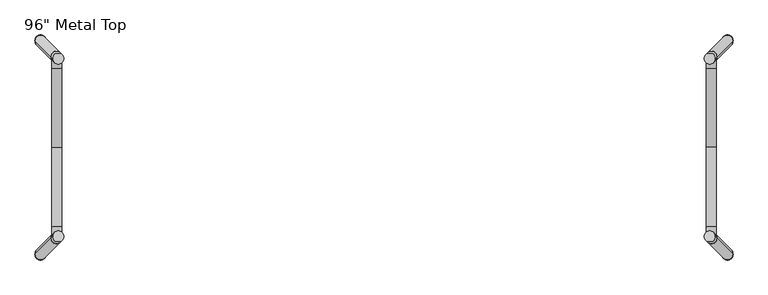
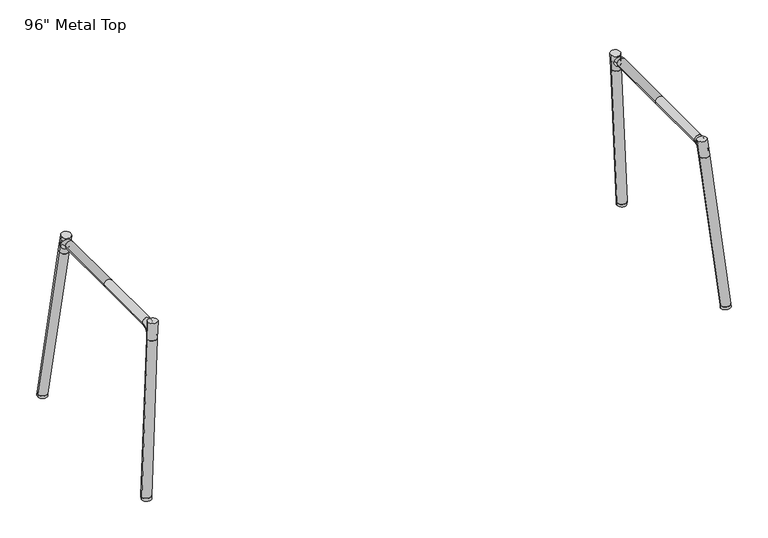
"""IFC4 building model written with IfcOpenShell, lengths in millimetres: furniture geometry."""

from ifc_helpers import new_model, si_unit, point, frame, origin, place, context, project, spatial, circle_curve, ellipse_curve, trimmed, source, transform, mapped, element, save
from ifc_brep_helpers import plane_surface, cylinder_surface, revolved_surface, extruded_surface, advanced_brep


def furniture_b8a5fde7(model_context):
    return source(origin(), model_context, "Body", "AdvancedBrep", [
        advanced_brep(
        [(-1094.0276589, -108.6275545, 642.6160825), (-1128.084522, -108.6275545, 642.6160825), (-1094.0276589, -146.1513452, 676.5760945), (-1128.084522, -146.1513452, 676.5760945), (-1094.0276589, -415.7354008, 676.5760945), (-1128.084522, -415.7354008, 676.5760945), (-1094.0276589, -722.8432471, 642.6160825), (-1128.084522, -722.8432471, 642.6160825), (-1128.084522, -685.3194564, 676.5760945), (-1094.0276589, -685.3194564, 676.5760945)],
        [
            (0, 1, circle_curve(frame((-1111.0560905, -108.6275545, 642.6160825), z_axis=(0.0, 0.09962738029575449, -0.9950248163213846), x_axis=(-1.0, 0.0, 0.0)), 17.0284315)),
            (1, 0, circle_curve(frame((-1111.0560905, -108.6275545, 642.6160825), z_axis=(0.0, 0.09962738029575449, -0.9950248163213846), x_axis=(-1.0, 0.0, 0.0)), 17.0284315)),
            (0, 2, circle_curve(frame((-1094.0276589, -146.1576331, 638.8583638), z_axis=(1.0, 0.0, 0.0), x_axis=(0.0, 0.9950248163208736, 0.09962738030085823)), 37.7177313)),
            (2, 3, circle_curve(frame((-1111.0560905, -146.1513452, 676.5760945), z_axis=(0.0, 0.9999999861040603, -0.0001667089654986964), x_axis=(-1.0, 0.0, 0.0)), 17.0284315)),
            (3, 1, circle_curve(frame((-1128.084522, -146.1576331, 638.8583638), z_axis=(-1.0, 0.0, 0.0), x_axis=(0.0, 0.9950248163208736, 0.09962738030085823)), 37.7177313)),
            (3, 2, circle_curve(frame((-1111.0560905, -146.1513452, 676.5760945), z_axis=(0.0, 0.9999999861040604, -0.00016670896549936254), x_axis=(-1.0, 0.0, 0.0)), 17.0284315)),
            (2, 4),
            (4, 5, circle_curve(frame((-1111.0560905, -415.7354008, 676.5760945), z_axis=(0.0, 1.0, -5.1322696092981346e-12), x_axis=(-1.0, 0.0, 0.0)), 17.0284315)),
            (5, 3),
            (5, 4, circle_curve(frame((-1111.0560905, -415.7354008, 676.5760945), z_axis=(0.0, 1.0, -5.1322696092981346e-12), x_axis=(-1.0, 0.0, 0.0)), 17.0284315)),
            (6, 7, circle_curve(frame((-1111.0560905, -722.8432471, 642.6160825), z_axis=(0.0, -0.09962738029575402, -0.9950248163213846), x_axis=(-1.0, 0.0, 0.0)), 17.0284315)),
            (7, 6, circle_curve(frame((-1111.0560905, -722.8432471, 642.6160825), z_axis=(0.0, -0.09962738029575402, -0.9950248163213846), x_axis=(-1.0, 0.0, 0.0)), 17.0284315)),
            (7, 8, circle_curve(frame((-1128.084522, -685.3131685, 638.8583638), z_axis=(-1.0, 0.0, 0.0), x_axis=(0.0, -0.9950248163208736, 0.09962738030085823)), 37.7177313)),
            (8, 9, circle_curve(frame((-1111.0560905, -685.3194564, 676.5760945), z_axis=(0.0, -0.9999999861040603, -0.00016670896549385306), x_axis=(-1.0, 0.0, 0.0)), 17.0284315)),
            (9, 6, circle_curve(frame((-1094.0276589, -685.3131685, 638.8583638), z_axis=(1.0, 0.0, 0.0), x_axis=(0.0, -0.9950248163208736, 0.09962738030085823)), 37.7177313)),
            (9, 8, circle_curve(frame((-1111.0560905, -685.3194564, 676.5760945), z_axis=(0.0, -0.9999999861040603, -0.00016670896549474123), x_axis=(-1.0, 0.0, 0.0)), 17.0284315)),
            (8, 5),
            (4, 9),
        ],
        [
            plane_surface(frame((-1106.0920524, -108.6275545, 642.6160825), z_axis=(0.0, 0.09962738030085824, -0.9950248163208736), x_axis=(1.0, 0.0, 0.0))),
            revolved_surface(trimmed(ellipse_curve(frame((-1111.0560905, -108.6275545, 642.6160825), z_axis=(0.0, 0.09962738029575449, -0.9950248163213846), x_axis=(-1.0, 0.0, 0.0)), 17.0284315, 17.0284315), [point((-1094.0276589, -108.6275545, 642.6160825))], [point((-1128.084522, -108.6275545, 642.6160825))], True, "CARTESIAN"), (-1106.0920524, -146.1576331, 638.8583638), (1.0, 0.0, 0.0)),
            revolved_surface(trimmed(ellipse_curve(frame((-1111.0560905, -108.6275545, 642.6160825), z_axis=(0.0, 0.09962738029575449, -0.9950248163213846), x_axis=(-1.0, 0.0, 0.0)), 17.0284315, 17.0284315), [point((-1128.084522, -108.6275545, 642.6160825))], [point((-1094.0276589, -108.6275545, 642.6160825))], True, "CARTESIAN"), (-1106.0920524, -146.1576331, 638.8583638), (1.0, 0.0, 0.0)),
            cylinder_surface(frame((-1111.0560905, -146.1513452, 676.5760945), z_axis=(0.0, 1.0, -5.1322696092981346e-12), x_axis=(-1.0, 0.0, 0.0)), 17.0284315),
            plane_surface(frame((-1106.0920524, -722.8432471, 642.6160825), z_axis=(0.0, -0.09962738030085834, -0.9950248163208736), x_axis=(1.0, 0.0, 0.0))),
            revolved_surface(trimmed(ellipse_curve(frame((-1111.0560905, -722.8432471, 642.6160825), z_axis=(0.0, -0.09962738029575402, -0.9950248163213846), x_axis=(-1.0, 0.0, 0.0)), 17.0284315, 17.0284315), [point((-1128.084522, -722.8432471, 642.6160825))], [point((-1094.0276589, -722.8432471, 642.6160825))], True, "CARTESIAN"), (-1106.0920524, -685.3131685, 638.8583638), (-1.0, 0.0, 0.0)),
            revolved_surface(trimmed(ellipse_curve(frame((-1111.0560905, -722.8432471, 642.6160825), z_axis=(0.0, -0.09962738029575402, -0.9950248163213846), x_axis=(-1.0, 0.0, 0.0)), 17.0284315, 17.0284315), [point((-1094.0276589, -722.8432471, 642.6160825))], [point((-1128.084522, -722.8432471, 642.6160825))], True, "CARTESIAN"), (-1106.0920524, -685.3131685, 638.8583638), (-1.0, 0.0, 0.0)),
            cylinder_surface(frame((-1111.0560905, -685.3194564, 676.5760945), z_axis=(0.0, -1.0, -5.132977376476332e-12), x_axis=(-1.0, 0.0, 0.0)), 17.0284315),
        ],
        [
            (0, [[1, 2]]),
            (1, [[-1, 3, 4, 5]]),
            (2, [[-2, -5, 6, -3]]),
            (3, [[-4, 7, 8, 9]]),
            (3, [[-6, -9, 10, -7]]),
            (4, [[11, 12]]),
            (5, [[-12, 13, 14, 15]]),
            (6, [[-11, -15, 16, -13]]),
            (7, [[-14, 17, -8, 18]]),
            (7, [[-16, -18, -10, -17]]),
        ],
    ),
        advanced_brep(
        [(1095.500954, -722.8432471, 642.6160825), (1129.5578171, -722.8432471, 642.6160825), (1095.500954, -685.3194564, 676.5760945), (1129.5578171, -685.3194564, 676.5760945), (1095.500954, -415.7354008, 676.5760945), (1129.5578171, -415.7354008, 676.5760945), (1095.500954, -108.6275545, 642.6160825), (1129.5578171, -108.6275545, 642.6160825), (1129.5578171, -146.1513452, 676.5760945), (1095.500954, -146.1513452, 676.5760945)],
        [
            (0, 1, circle_curve(frame((1112.5293855, -722.8432471, 642.6160825), z_axis=(0.0, -0.09962738029575402, -0.9950248163213846), x_axis=(1.0, 0.0, 0.0)), 17.0284315)),
            (1, 0, circle_curve(frame((1112.5293855, -722.8432471, 642.6160825), z_axis=(0.0, -0.09962738029575402, -0.9950248163213846), x_axis=(1.0, 0.0, 0.0)), 17.0284315)),
            (0, 2, circle_curve(frame((1095.500954, -685.3131685, 638.8583638), z_axis=(-1.0, 0.0, 0.0), x_axis=(0.0, -0.9950248163208736, 0.09962738030085823)), 37.7177313)),
            (2, 3, circle_curve(frame((1112.5293855, -685.3194564, 676.5760945), z_axis=(0.0, -0.9999999861040603, -0.00016670896549850212), x_axis=(1.0, 0.0, 0.0)), 17.0284315)),
            (3, 1, circle_curve(frame((1129.5578171, -685.3131685, 638.8583638), z_axis=(1.0, 0.0, 0.0), x_axis=(0.0, -0.9950248163208736, 0.09962738030085823)), 37.7177313)),
            (3, 2, circle_curve(frame((1112.5293855, -685.3194564, 676.5760945), z_axis=(0.0, -0.9999999861040603, -0.00016670896549805803), x_axis=(1.0, 0.0, 0.0)), 17.0284315)),
            (2, 4),
            (4, 5, circle_curve(frame((1112.5293855, -415.7354008, 676.5760945), z_axis=(0.0, -1.0, -5.132977376476332e-12), x_axis=(1.0, 0.0, 0.0)), 17.0284315)),
            (5, 3),
            (5, 4, circle_curve(frame((1112.5293855, -415.7354008, 676.5760945), z_axis=(0.0, -1.0, -5.132977376476332e-12), x_axis=(1.0, 0.0, 0.0)), 17.0284315)),
            (6, 7, circle_curve(frame((1112.5293855, -108.6275545, 642.6160825), z_axis=(0.0, 0.09962738029575449, -0.9950248163213846), x_axis=(1.0, 0.0, 0.0)), 17.0284315)),
            (7, 6, circle_curve(frame((1112.5293855, -108.6275545, 642.6160825), z_axis=(0.0, 0.09962738029575449, -0.9950248163213846), x_axis=(1.0, 0.0, 0.0)), 17.0284315)),
            (7, 8, circle_curve(frame((1129.5578171, -146.1576331, 638.8583638), z_axis=(1.0, 0.0, 0.0), x_axis=(0.0, 0.9950248163208736, 0.09962738030085823)), 37.7177313)),
            (8, 9, circle_curve(frame((1112.5293855, -146.1513452, 676.5760945), z_axis=(0.0, 0.9999999861040603, -0.00016670896549959846), x_axis=(1.0, 0.0, 0.0)), 17.0284315)),
            (9, 6, circle_curve(frame((1095.500954, -146.1576331, 638.8583638), z_axis=(-1.0, 0.0, 0.0), x_axis=(0.0, 0.9950248163208736, 0.09962738030085823)), 37.7177313)),
            (9, 8, circle_curve(frame((1112.5293855, -146.1513452, 676.5760945), z_axis=(0.0, 0.9999999861040603, -0.0001667089654998205), x_axis=(1.0, 0.0, 0.0)), 17.0284315)),
            (8, 5),
            (4, 9),
        ],
        [
            plane_surface(frame((1107.5653475, -722.8432471, 642.6160825), z_axis=(0.0, -0.09962738030085834, -0.9950248163208736), x_axis=(-1.0, 0.0, 0.0))),
            revolved_surface(trimmed(ellipse_curve(frame((1112.5293855, -722.8432471, 642.6160825), z_axis=(0.0, -0.09962738029575402, -0.9950248163213846), x_axis=(1.0, 0.0, 0.0)), 17.0284315, 17.0284315), [point((1095.500954, -722.8432471, 642.6160825))], [point((1129.5578171, -722.8432471, 642.6160825))], True, "CARTESIAN"), (1107.5653475, -685.3131685, 638.8583638), (-1.0, 0.0, 0.0)),
            revolved_surface(trimmed(ellipse_curve(frame((1112.5293855, -722.8432471, 642.6160825), z_axis=(0.0, -0.09962738029575402, -0.9950248163213846), x_axis=(1.0, 0.0, 0.0)), 17.0284315, 17.0284315), [point((1129.5578171, -722.8432471, 642.6160825))], [point((1095.500954, -722.8432471, 642.6160825))], True, "CARTESIAN"), (1107.5653475, -685.3131685, 638.8583638), (-1.0, 0.0, 0.0)),
            cylinder_surface(frame((1112.5293855, -685.3194564, 676.5760945), z_axis=(0.0, -1.0, -5.132977376476332e-12), x_axis=(1.0, 0.0, 0.0)), 17.0284315),
            plane_surface(frame((1107.5653475, -108.6275545, 642.6160825), z_axis=(0.0, 0.09962738030085824, -0.9950248163208736), x_axis=(-1.0, 0.0, 0.0))),
            revolved_surface(trimmed(ellipse_curve(frame((1112.5293855, -108.6275545, 642.6160825), z_axis=(0.0, 0.09962738029575449, -0.9950248163213846), x_axis=(1.0, 0.0, 0.0)), 17.0284315, 17.0284315), [point((1129.5578171, -108.6275545, 642.6160825))], [point((1095.500954, -108.6275545, 642.6160825))], True, "CARTESIAN"), (1107.5653475, -146.1576331, 638.8583638), (1.0, 0.0, 0.0)),
            revolved_surface(trimmed(ellipse_curve(frame((1112.5293855, -108.6275545, 642.6160825), z_axis=(0.0, 0.09962738029575449, -0.9950248163213846), x_axis=(1.0, 0.0, 0.0)), 17.0284315, 17.0284315), [point((1095.500954, -108.6275545, 642.6160825))], [point((1129.5578171, -108.6275545, 642.6160825))], True, "CARTESIAN"), (1107.5653475, -146.1576331, 638.8583638), (1.0, 0.0, 0.0)),
            cylinder_surface(frame((1112.5293855, -146.1513452, 676.5760945), z_axis=(0.0, 1.0, -5.1322696092981346e-12), x_axis=(1.0, 0.0, 0.0)), 17.0284315),
        ],
        [
            (0, [[1, 2]]),
            (1, [[-1, 3, 4, 5]]),
            (2, [[-2, -5, 6, -3]]),
            (3, [[-4, 7, 8, 9]]),
            (3, [[-6, -9, 10, -7]]),
            (4, [[11, 12]]),
            (5, [[-12, 13, 14, 15]]),
            (6, [[-11, -15, 16, -13]]),
            (7, [[-14, 17, -8, 18]]),
            (7, [[-16, -18, -10, -17]]),
        ],
    ),
        advanced_brep(
        [(1148.7101228, -53.3023764, 9.3894767), (1186.8101228, -53.3023764, 9.3894767), (1148.7039217, -52.3323275, -1.656041), (1186.8039217, -52.3323275, -1.656041)],
        [
            (0, 1, circle_curve(frame((1167.7601228, -53.3023764, 9.3894767), z_axis=(0.0, -0.08748612022239036, 0.9961657386039903), x_axis=(-1.0, 0.0, 0.0)), 19.05)),
            (1, 0, circle_curve(frame((1167.7601228, -53.3023764, 9.3894767), z_axis=(0.0, -0.08748612022239036, 0.9961657386039903), x_axis=(-1.0, 0.0, 0.0)), 19.05)),
            (2, 3, circle_curve(frame((1167.7539217, -52.3323275, -1.656041), z_axis=(0.0, 0.08748612022239036, -0.9961657386039903), x_axis=(1.0, 0.0, 0.0)), 19.05)),
            (3, 2, circle_curve(frame((1167.7539217, -52.3323275, -1.656041), z_axis=(0.0, 0.08748612022239036, -0.9961657386039903), x_axis=(1.0, 0.0, 0.0)), 19.05)),
            (2, 0),
            (1, 3),
        ],
        [
            plane_surface(frame((1167.7601228, -53.3023764, 9.3894767), z_axis=(0.0, -0.08748612022239036, 0.9961657386039903), x_axis=(0.0, 0.9961657386039903, 0.08748612022239036))),
            plane_surface(frame((1167.7539217, -52.3323275, -1.656041), z_axis=(0.0, 0.08748612022239036, -0.9961657386039903), x_axis=(0.0, -0.9961657386039903, -0.08748612022239036))),
            extruded_surface(trimmed(circle_curve(frame((1167.7539217, -52.3323275, -1.656041), z_axis=(0.0, -0.08748612022239036, 0.9961657386039903), x_axis=(1.0, 0.0, 0.0)), 19.05), [point((1186.8039217, -52.3323275, -1.656041))], [point((1148.7039217, -52.3323275, -1.656041))], True, "CARTESIAN"), (0.006201099999998405, -0.9700489000000019, 11.0455177), 11.088033846586406),
            extruded_surface(trimmed(circle_curve(frame((1167.7539217, -52.3323275, -1.656041), z_axis=(0.0, -0.08748612022239036, 0.9961657386039903), x_axis=(1.0, 0.0, 0.0)), 19.05), [point((1148.7039217, -52.3323275, -1.656041))], [point((1186.8039217, -52.3323275, -1.656041))], True, "CARTESIAN"), (0.006201099999998405, -0.9700489000000019, 11.0455177), 11.088033846586406),
        ],
        [
            (0, [[1, 2]]),
            (1, [[3, 4]]),
            (2, [[-3, 5, -2, 6]]),
            (3, [[-4, -6, -1, -5]]),
        ],
    ),
        advanced_brep(
        [(-1147.2368278, -53.3023764, 9.3894767), (-1185.3368278, -53.3023764, 9.3894767), (-1147.2306266, -52.3323275, -1.656041), (-1185.3306266, -52.3323275, -1.656041)],
        [
            (0, 1, circle_curve(frame((-1166.2868278, -53.3023764, 9.3894767), z_axis=(0.0, -0.08748612022239036, 0.9961657386039903), x_axis=(1.0, 0.0, 0.0)), 19.05)),
            (1, 0, circle_curve(frame((-1166.2868278, -53.3023764, 9.3894767), z_axis=(0.0, -0.08748612022239036, 0.9961657386039903), x_axis=(1.0, 0.0, 0.0)), 19.05)),
            (2, 3, circle_curve(frame((-1166.2806266, -52.3323275, -1.656041), z_axis=(0.0, 0.08748612022239036, -0.9961657386039903), x_axis=(-1.0, 0.0, 0.0)), 19.05)),
            (3, 2, circle_curve(frame((-1166.2806266, -52.3323275, -1.656041), z_axis=(0.0, 0.08748612022239036, -0.9961657386039903), x_axis=(-1.0, 0.0, 0.0)), 19.05)),
            (3, 1),
            (0, 2),
        ],
        [
            plane_surface(frame((-1166.2868278, -53.3023764, 9.3894767), z_axis=(0.0, -0.08748612022239036, 0.9961657386039903), x_axis=(0.0, -0.9961657386039903, -0.08748612022239036))),
            plane_surface(frame((-1166.2806266, -52.3323275, -1.656041), z_axis=(0.0, 0.08748612022239036, -0.9961657386039903), x_axis=(0.0, 0.9961657386039903, 0.08748612022239036))),
            extruded_surface(trimmed(circle_curve(frame((-1166.2806266, -52.3323275, -1.656041), z_axis=(0.0, -0.08748612022239036, 0.9961657386039903), x_axis=(-1.0, 0.0, 0.0)), 19.05), [point((-1147.2306266, -52.3323275, -1.656041))], [point((-1185.3306266, -52.3323275, -1.656041))], True, "CARTESIAN"), (-0.006201200000077733, -0.9700489000000019, 11.0455177), 11.08803384664233),
            extruded_surface(trimmed(circle_curve(frame((-1166.2806266, -52.3323275, -1.656041), z_axis=(0.0, -0.08748612022239036, 0.9961657386039903), x_axis=(-1.0, 0.0, 0.0)), 19.05), [point((-1185.3306266, -52.3323275, -1.656041))], [point((-1147.2306266, -52.3323275, -1.656041))], True, "CARTESIAN"), (-0.006201200000077733, -0.9700489000000019, 11.0455177), 11.08803384664233),
        ],
        [
            (0, [[1, 2]]),
            (1, [[3, 4]]),
            (2, [[-4, 5, -1, 6]]),
            (3, [[-3, -6, -2, -5]]),
        ],
    ),
        advanced_brep(
        [(1148.7101228, -778.5476236, 9.3894767), (1186.8101228, -778.5476236, 9.3894767), (1148.7039217, -779.5176725, -1.656041), (1186.8039217, -779.5176725, -1.656041)],
        [
            (0, 1, circle_curve(frame((1167.7601228, -778.5476236, 9.3894767), z_axis=(0.0, 0.08748612022239036, 0.9961657386039903), x_axis=(-1.0, 0.0, 0.0)), 19.05)),
            (1, 0, circle_curve(frame((1167.7601228, -778.5476236, 9.3894767), z_axis=(0.0, 0.08748612022239036, 0.9961657386039903), x_axis=(-1.0, 0.0, 0.0)), 19.05)),
            (2, 3, circle_curve(frame((1167.7539217, -779.5176725, -1.656041), z_axis=(0.0, -0.08748612022239036, -0.9961657386039903), x_axis=(1.0, 0.0, 0.0)), 19.05)),
            (3, 2, circle_curve(frame((1167.7539217, -779.5176725, -1.656041), z_axis=(0.0, -0.08748612022239036, -0.9961657386039903), x_axis=(1.0, 0.0, 0.0)), 19.05)),
            (3, 1),
            (0, 2),
        ],
        [
            plane_surface(frame((1167.7601228, -778.5476236, 9.3894767), z_axis=(0.0, 0.08748612022239036, 0.9961657386039903), x_axis=(0.0, 0.9961657386039903, -0.08748612022239036))),
            plane_surface(frame((1167.7539217, -779.5176725, -1.656041), z_axis=(0.0, -0.08748612022239036, -0.9961657386039903), x_axis=(0.0, -0.9961657386039903, 0.08748612022239036))),
            extruded_surface(trimmed(circle_curve(frame((1167.7539217, -779.5176725, -1.656041), z_axis=(0.0, 0.08748612022239036, 0.9961657386039903), x_axis=(1.0, 0.0, 0.0)), 19.05), [point((1148.7039217, -779.5176725, -1.656041))], [point((1186.8039217, -779.5176725, -1.656041))], True, "CARTESIAN"), (0.006201099999998405, 0.9700489000000516, 11.0455177), 11.08803384658641),
            extruded_surface(trimmed(circle_curve(frame((1167.7539217, -779.5176725, -1.656041), z_axis=(0.0, 0.08748612022239036, 0.9961657386039903), x_axis=(1.0, 0.0, 0.0)), 19.05), [point((1186.8039217, -779.5176725, -1.656041))], [point((1148.7039217, -779.5176725, -1.656041))], True, "CARTESIAN"), (0.006201099999998405, 0.9700489000000516, 11.0455177), 11.08803384658641),
        ],
        [
            (0, [[1, 2]]),
            (1, [[3, 4]]),
            (2, [[-4, 5, -1, 6]]),
            (3, [[-3, -6, -2, -5]]),
        ],
    ),
        advanced_brep(
        [(-1147.2368278, -778.5476236, 9.3894767), (-1185.3368278, -778.5476236, 9.3894767), (-1147.2306266, -779.5176725, -1.656041), (-1185.3306266, -779.5176725, -1.656041)],
        [
            (0, 1, circle_curve(frame((-1166.2868278, -778.5476236, 9.3894767), z_axis=(0.0, 0.08748612022239036, 0.9961657386039903), x_axis=(1.0, 0.0, 0.0)), 19.05)),
            (1, 0, circle_curve(frame((-1166.2868278, -778.5476236, 9.3894767), z_axis=(0.0, 0.08748612022239036, 0.9961657386039903), x_axis=(1.0, 0.0, 0.0)), 19.05)),
            (2, 3, circle_curve(frame((-1166.2806266, -779.5176725, -1.656041), z_axis=(0.0, -0.08748612022239036, -0.9961657386039903), x_axis=(-1.0, 0.0, 0.0)), 19.05)),
            (3, 2, circle_curve(frame((-1166.2806266, -779.5176725, -1.656041), z_axis=(0.0, -0.08748612022239036, -0.9961657386039903), x_axis=(-1.0, 0.0, 0.0)), 19.05)),
            (2, 0),
            (1, 3),
        ],
        [
            plane_surface(frame((-1166.2868278, -778.5476236, 9.3894767), z_axis=(0.0, 0.08748612022239036, 0.9961657386039903), x_axis=(0.0, -0.9961657386039903, 0.08748612022239036))),
            plane_surface(frame((-1166.2806266, -779.5176725, -1.656041), z_axis=(0.0, -0.08748612022239036, -0.9961657386039903), x_axis=(0.0, 0.9961657386039903, -0.08748612022239036))),
            extruded_surface(trimmed(circle_curve(frame((-1166.2806266, -779.5176725, -1.656041), z_axis=(0.0, 0.08748612022239036, 0.9961657386039903), x_axis=(-1.0, 0.0, 0.0)), 19.05), [point((-1185.3306266, -779.5176725, -1.656041))], [point((-1147.2306266, -779.5176725, -1.656041))], True, "CARTESIAN"), (-0.006201200000077733, 0.9700489000000516, 11.0455177), 11.088033846642336),
            extruded_surface(trimmed(circle_curve(frame((-1166.2806266, -779.5176725, -1.656041), z_axis=(0.0, 0.08748612022239036, 0.9961657386039903), x_axis=(-1.0, 0.0, 0.0)), 19.05), [point((-1147.2306266, -779.5176725, -1.656041))], [point((-1185.3306266, -779.5176725, -1.656041))], True, "CARTESIAN"), (-0.006201200000077733, 0.9700489000000516, 11.0455177), 11.088033846642336),
        ],
        [
            (0, [[1, 2]]),
            (1, [[3, 4]]),
            (2, [[-3, 5, -2, 6]]),
            (3, [[-4, -6, -1, -5]]),
        ],
    ),
        advanced_brep(
        [(-1092.8463492, -724.0778553, 629.301031), (-1130.9463492, -724.0778553, 629.301031), (-1147.2306266, -778.5204679, 9.3870918), (-1185.3306266, -778.5204679, 9.3870918)],
        [
            (0, 1, circle_curve(frame((-1111.8963492, -724.0778553, 629.301031), z_axis=(0.0, 0.08748612022239144, 0.9961657386039903), x_axis=(1.0, 0.0, 0.0)), 19.05)),
            (1, 0, circle_curve(frame((-1111.8963492, -724.0778553, 629.301031), z_axis=(0.0, 0.08748612022239144, 0.9961657386039903), x_axis=(1.0, 0.0, 0.0)), 19.05)),
            (2, 3, circle_curve(frame((-1166.2806266, -778.5204679, 9.3870918), z_axis=(0.0, -0.08748612022239144, -0.9961657386039903), x_axis=(-1.0, 0.0, 0.0)), 19.05)),
            (3, 2, circle_curve(frame((-1166.2806266, -778.5204679, 9.3870918), z_axis=(0.0, -0.08748612022239144, -0.9961657386039903), x_axis=(-1.0, 0.0, 0.0)), 19.05)),
            (2, 0),
            (1, 3),
        ],
        [
            plane_surface(frame((-1111.8963492, -724.0778553, 629.301031), z_axis=(0.0, 0.08748612022239144, 0.9961657386039903), x_axis=(0.0, -0.9961657386039903, 0.08748612022239144))),
            plane_surface(frame((-1166.2806266, -778.5204679, 9.3870918), z_axis=(0.0, -0.08748612022239144, -0.9961657386039903), x_axis=(0.0, 0.9961657386039903, -0.08748612022239144))),
            extruded_surface(trimmed(circle_curve(frame((-1166.2806266, -778.5204679, 9.3870918), z_axis=(0.0, 0.08748612022239144, 0.9961657386039903), x_axis=(-1.0, 0.0, 0.0)), 19.05), [point((-1185.3306266, -778.5204679, 9.3870918))], [point((-1147.2306266, -778.5204679, 9.3870918))], True, "CARTESIAN"), (54.384277399999974, 54.44261259999996, 619.9139392), 624.6718656298641),
            extruded_surface(trimmed(circle_curve(frame((-1166.2806266, -778.5204679, 9.3870918), z_axis=(0.0, 0.08748612022239144, 0.9961657386039903), x_axis=(-1.0, 0.0, 0.0)), 19.05), [point((-1147.2306266, -778.5204679, 9.3870918))], [point((-1185.3306266, -778.5204679, 9.3870918))], True, "CARTESIAN"), (54.384277399999974, 54.44261259999996, 619.9139392), 624.6718656298641),
        ],
        [
            (0, [[1, 2]]),
            (1, [[3, 4]]),
            (2, [[-3, 5, -2, 6]]),
            (3, [[-4, -6, -1, -5]]),
        ],
    ),
        advanced_brep(
        [(-1087.0420524, -717.9061996, 697.4454502), (-1125.1420524, -717.9061996, 697.4454502), (-1092.8587516, -724.0780035, 629.3009933), (-1130.9587516, -724.0780035, 629.3009933)],
        [
            (0, 1, circle_curve(frame((-1106.0920524, -717.9061996, 697.4454502), z_axis=(0.0, 0.09020022680252728, 0.9959236512327503), x_axis=(1.0, 0.0, 0.0)), 19.05)),
            (1, 0, circle_curve(frame((-1106.0920524, -717.9061996, 697.4454502), z_axis=(0.0, 0.09020022680252728, 0.9959236512327503), x_axis=(1.0, 0.0, 0.0)), 19.05)),
            (2, 3, circle_curve(frame((-1111.9087516, -724.0780035, 629.3009933), z_axis=(0.0, -0.09020022680252728, -0.9959236512327503), x_axis=(-1.0, 0.0, 0.0)), 19.05)),
            (3, 2, circle_curve(frame((-1111.9087516, -724.0780035, 629.3009933), z_axis=(0.0, -0.09020022680252728, -0.9959236512327503), x_axis=(-1.0, 0.0, 0.0)), 19.05)),
            (2, 0),
            (1, 3),
        ],
        [
            plane_surface(frame((-1106.0920524, -717.9061996, 697.4454502), z_axis=(0.0, 0.09020022680252728, 0.9959236512327503), x_axis=(0.0, -0.9959236512327503, 0.09020022680252728))),
            plane_surface(frame((-1111.9087516, -724.0780035, 629.3009933), z_axis=(0.0, -0.09020022680252728, -0.9959236512327503), x_axis=(0.0, 0.9959236512327503, -0.09020022680252728))),
            extruded_surface(trimmed(circle_curve(frame((-1111.9087516, -724.0780035, 629.3009933), z_axis=(0.0, 0.09020022680252728, 0.9959236512327503), x_axis=(-1.0, 0.0, 0.0)), 19.05), [point((-1130.9587516, -724.0780035, 629.3009933))], [point((-1092.8587516, -724.0780035, 629.3009933))], True, "CARTESIAN"), (5.816699199999903, 6.171803899999986, 68.14445690000002), 68.67016935438048),
            extruded_surface(trimmed(circle_curve(frame((-1111.9087516, -724.0780035, 629.3009933), z_axis=(0.0, 0.09020022680252728, 0.9959236512327503), x_axis=(-1.0, 0.0, 0.0)), 19.05), [point((-1092.8587516, -724.0780035, 629.3009933))], [point((-1130.9587516, -724.0780035, 629.3009933))], True, "CARTESIAN"), (5.816699199999903, 6.171803899999986, 68.14445690000002), 68.67016935438048),
        ],
        [
            (0, [[1, 2]]),
            (1, [[3, 4]]),
            (2, [[-3, 5, -2, 6]]),
            (3, [[-4, -6, -1, -5]]),
        ],
    ),
        advanced_brep(
        [(-1092.8463492, -107.7721447, 629.301031), (-1130.9463492, -107.7721447, 629.301031), (-1147.2306266, -53.3295321, 9.3870918), (-1185.3306266, -53.3295321, 9.3870918)],
        [
            (0, 1, circle_curve(frame((-1111.8963492, -107.7721447, 629.301031), z_axis=(0.0, -0.08748612022239144, 0.9961657386039903), x_axis=(1.0, 0.0, 0.0)), 19.05)),
            (1, 0, circle_curve(frame((-1111.8963492, -107.7721447, 629.301031), z_axis=(0.0, -0.08748612022239144, 0.9961657386039903), x_axis=(1.0, 0.0, 0.0)), 19.05)),
            (2, 3, circle_curve(frame((-1166.2806266, -53.3295321, 9.3870918), z_axis=(0.0, 0.08748612022239144, -0.9961657386039903), x_axis=(-1.0, 0.0, 0.0)), 19.05)),
            (3, 2, circle_curve(frame((-1166.2806266, -53.3295321, 9.3870918), z_axis=(0.0, 0.08748612022239144, -0.9961657386039903), x_axis=(-1.0, 0.0, 0.0)), 19.05)),
            (3, 1),
            (0, 2),
        ],
        [
            plane_surface(frame((-1111.8963492, -107.7721447, 629.301031), z_axis=(0.0, -0.08748612022239144, 0.9961657386039903), x_axis=(0.0, -0.9961657386039903, -0.08748612022239144))),
            plane_surface(frame((-1166.2806266, -53.3295321, 9.3870918), z_axis=(0.0, 0.08748612022239144, -0.9961657386039903), x_axis=(0.0, 0.9961657386039903, 0.08748612022239144))),
            extruded_surface(trimmed(circle_curve(frame((-1166.2806266, -53.3295321, 9.3870918), z_axis=(0.0, -0.08748612022239144, 0.9961657386039903), x_axis=(-1.0, 0.0, 0.0)), 19.05), [point((-1147.2306266, -53.3295321, 9.3870918))], [point((-1185.3306266, -53.3295321, 9.3870918))], True, "CARTESIAN"), (54.384277399999974, -54.4426126, 619.9139392), 624.6718656298641),
            extruded_surface(trimmed(circle_curve(frame((-1166.2806266, -53.3295321, 9.3870918), z_axis=(0.0, -0.08748612022239144, 0.9961657386039903), x_axis=(-1.0, 0.0, 0.0)), 19.05), [point((-1185.3306266, -53.3295321, 9.3870918))], [point((-1147.2306266, -53.3295321, 9.3870918))], True, "CARTESIAN"), (54.384277399999974, -54.4426126, 619.9139392), 624.6718656298641),
        ],
        [
            (0, [[1, 2]]),
            (1, [[3, 4]]),
            (2, [[-4, 5, -1, 6]]),
            (3, [[-3, -6, -2, -5]]),
        ],
    ),
        advanced_brep(
        [(-1087.0420524, -113.9438004, 697.4454502), (-1125.1420524, -113.9438004, 697.4454502), (-1092.8587516, -107.7719965, 629.3009933), (-1130.9587516, -107.7719965, 629.3009933)],
        [
            (0, 1, circle_curve(frame((-1106.0920524, -113.9438004, 697.4454502), z_axis=(0.0, -0.09020022680252728, 0.9959236512327503), x_axis=(1.0, 0.0, 0.0)), 19.05)),
            (1, 0, circle_curve(frame((-1106.0920524, -113.9438004, 697.4454502), z_axis=(0.0, -0.09020022680252728, 0.9959236512327503), x_axis=(1.0, 0.0, 0.0)), 19.05)),
            (2, 3, circle_curve(frame((-1111.9087516, -107.7719965, 629.3009933), z_axis=(0.0, 0.09020022680252728, -0.9959236512327503), x_axis=(-1.0, 0.0, 0.0)), 19.05)),
            (3, 2, circle_curve(frame((-1111.9087516, -107.7719965, 629.3009933), z_axis=(0.0, 0.09020022680252728, -0.9959236512327503), x_axis=(-1.0, 0.0, 0.0)), 19.05)),
            (3, 1),
            (0, 2),
        ],
        [
            plane_surface(frame((-1106.0920524, -113.9438004, 697.4454502), z_axis=(0.0, -0.09020022680252728, 0.9959236512327503), x_axis=(0.0, -0.9959236512327503, -0.09020022680252728))),
            plane_surface(frame((-1111.9087516, -107.7719965, 629.3009933), z_axis=(0.0, 0.09020022680252728, -0.9959236512327503), x_axis=(0.0, 0.9959236512327503, 0.09020022680252728))),
            extruded_surface(trimmed(circle_curve(frame((-1111.9087516, -107.7719965, 629.3009933), z_axis=(0.0, -0.09020022680252728, 0.9959236512327503), x_axis=(-1.0, 0.0, 0.0)), 19.05), [point((-1092.8587516, -107.7719965, 629.3009933))], [point((-1130.9587516, -107.7719965, 629.3009933))], True, "CARTESIAN"), (5.816699199999903, -6.1718039000000005, 68.14445690000002), 68.67016935438048),
            extruded_surface(trimmed(circle_curve(frame((-1111.9087516, -107.7719965, 629.3009933), z_axis=(0.0, -0.09020022680252728, 0.9959236512327503), x_axis=(-1.0, 0.0, 0.0)), 19.05), [point((-1130.9587516, -107.7719965, 629.3009933))], [point((-1092.8587516, -107.7719965, 629.3009933))], True, "CARTESIAN"), (5.816699199999903, -6.1718039000000005, 68.14445690000002), 68.67016935438048),
        ],
        [
            (0, [[1, 2]]),
            (1, [[3, 4]]),
            (2, [[-4, 5, -1, 6]]),
            (3, [[-3, -6, -2, -5]]),
        ],
    ),
        advanced_brep(
        [(1094.3196443, -724.0778553, 629.301031), (1132.4196443, -724.0778553, 629.301031), (1148.7039217, -778.5204679, 9.3870918), (1186.8039217, -778.5204679, 9.3870918)],
        [
            (0, 1, circle_curve(frame((1113.3696443, -724.0778553, 629.301031), z_axis=(0.0, 0.08748612022239144, 0.9961657386039903), x_axis=(-1.0, 0.0, 0.0)), 19.05)),
            (1, 0, circle_curve(frame((1113.3696443, -724.0778553, 629.301031), z_axis=(0.0, 0.08748612022239144, 0.9961657386039903), x_axis=(-1.0, 0.0, 0.0)), 19.05)),
            (2, 3, circle_curve(frame((1167.7539217, -778.5204679, 9.3870918), z_axis=(0.0, -0.08748612022239144, -0.9961657386039903), x_axis=(1.0, 0.0, 0.0)), 19.05)),
            (3, 2, circle_curve(frame((1167.7539217, -778.5204679, 9.3870918), z_axis=(0.0, -0.08748612022239144, -0.9961657386039903), x_axis=(1.0, 0.0, 0.0)), 19.05)),
            (3, 1),
            (0, 2),
        ],
        [
            plane_surface(frame((1113.3696443, -724.0778553, 629.301031), z_axis=(0.0, 0.08748612022239144, 0.9961657386039903), x_axis=(0.0, 0.9961657386039903, -0.08748612022239144))),
            plane_surface(frame((1167.7539217, -778.5204679, 9.3870918), z_axis=(0.0, -0.08748612022239144, -0.9961657386039903), x_axis=(0.0, -0.9961657386039903, 0.08748612022239144))),
            extruded_surface(trimmed(circle_curve(frame((1167.7539217, -778.5204679, 9.3870918), z_axis=(0.0, 0.08748612022239144, 0.9961657386039903), x_axis=(1.0, 0.0, 0.0)), 19.05), [point((1148.7039217, -778.5204679, 9.3870918))], [point((1186.8039217, -778.5204679, 9.3870918))], True, "CARTESIAN"), (-54.3842774000002, 54.44261259999996, 619.9139392), 624.6718656298642),
            extruded_surface(trimmed(circle_curve(frame((1167.7539217, -778.5204679, 9.3870918), z_axis=(0.0, 0.08748612022239144, 0.9961657386039903), x_axis=(1.0, 0.0, 0.0)), 19.05), [point((1186.8039217, -778.5204679, 9.3870918))], [point((1148.7039217, -778.5204679, 9.3870918))], True, "CARTESIAN"), (-54.3842774000002, 54.44261259999996, 619.9139392), 624.6718656298642),
        ],
        [
            (0, [[1, 2]]),
            (1, [[3, 4]]),
            (2, [[-4, 5, -1, 6]]),
            (3, [[-3, -6, -2, -5]]),
        ],
    ),
        advanced_brep(
        [(1088.5153475, -717.9061996, 697.4454502), (1126.6153475, -717.9061996, 697.4454502), (1094.3320467, -724.0780035, 629.3009933), (1132.4320467, -724.0780035, 629.3009933)],
        [
            (0, 1, circle_curve(frame((1107.5653475, -717.9061996, 697.4454502), z_axis=(0.0, 0.09020022680252728, 0.9959236512327503), x_axis=(-1.0, 0.0, 0.0)), 19.05)),
            (1, 0, circle_curve(frame((1107.5653475, -717.9061996, 697.4454502), z_axis=(0.0, 0.09020022680252728, 0.9959236512327503), x_axis=(-1.0, 0.0, 0.0)), 19.05)),
            (2, 3, circle_curve(frame((1113.3820467, -724.0780035, 629.3009933), z_axis=(0.0, -0.09020022680252728, -0.9959236512327503), x_axis=(1.0, 0.0, 0.0)), 19.05)),
            (3, 2, circle_curve(frame((1113.3820467, -724.0780035, 629.3009933), z_axis=(0.0, -0.09020022680252728, -0.9959236512327503), x_axis=(1.0, 0.0, 0.0)), 19.05)),
            (3, 1),
            (0, 2),
        ],
        [
            plane_surface(frame((1107.5653475, -717.9061996, 697.4454502), z_axis=(0.0, 0.09020022680252728, 0.9959236512327503), x_axis=(0.0, 0.9959236512327503, -0.09020022680252728))),
            plane_surface(frame((1113.3820467, -724.0780035, 629.3009933), z_axis=(0.0, -0.09020022680252728, -0.9959236512327503), x_axis=(0.0, -0.9959236512327503, 0.09020022680252728))),
            extruded_surface(trimmed(circle_curve(frame((1113.3820467, -724.0780035, 629.3009933), z_axis=(0.0, 0.09020022680252728, 0.9959236512327503), x_axis=(1.0, 0.0, 0.0)), 19.05), [point((1094.3320467, -724.0780035, 629.3009933))], [point((1132.4320467, -724.0780035, 629.3009933))], True, "CARTESIAN"), (-5.81669920000013, 6.171803899999986, 68.14445690000002), 68.67016935438049),
            extruded_surface(trimmed(circle_curve(frame((1113.3820467, -724.0780035, 629.3009933), z_axis=(0.0, 0.09020022680252728, 0.9959236512327503), x_axis=(1.0, 0.0, 0.0)), 19.05), [point((1132.4320467, -724.0780035, 629.3009933))], [point((1094.3320467, -724.0780035, 629.3009933))], True, "CARTESIAN"), (-5.81669920000013, 6.171803899999986, 68.14445690000002), 68.67016935438049),
        ],
        [
            (0, [[1, 2]]),
            (1, [[3, 4]]),
            (2, [[-4, 5, -1, 6]]),
            (3, [[-3, -6, -2, -5]]),
        ],
    ),
        advanced_brep(
        [(1094.3196443, -107.7721447, 629.301031), (1132.4196443, -107.7721447, 629.301031), (1148.7039217, -53.3295321, 9.3870918), (1186.8039217, -53.3295321, 9.3870918)],
        [
            (0, 1, circle_curve(frame((1113.3696443, -107.7721447, 629.301031), z_axis=(0.0, -0.08748612022239144, 0.9961657386039903), x_axis=(-1.0, 0.0, 0.0)), 19.05)),
            (1, 0, circle_curve(frame((1113.3696443, -107.7721447, 629.301031), z_axis=(0.0, -0.08748612022239144, 0.9961657386039903), x_axis=(-1.0, 0.0, 0.0)), 19.05)),
            (2, 3, circle_curve(frame((1167.7539217, -53.3295321, 9.3870918), z_axis=(0.0, 0.08748612022239144, -0.9961657386039903), x_axis=(1.0, 0.0, 0.0)), 19.05)),
            (3, 2, circle_curve(frame((1167.7539217, -53.3295321, 9.3870918), z_axis=(0.0, 0.08748612022239144, -0.9961657386039903), x_axis=(1.0, 0.0, 0.0)), 19.05)),
            (2, 0),
            (1, 3),
        ],
        [
            plane_surface(frame((1113.3696443, -107.7721447, 629.301031), z_axis=(0.0, -0.08748612022239144, 0.9961657386039903), x_axis=(0.0, 0.9961657386039903, 0.08748612022239144))),
            plane_surface(frame((1167.7539217, -53.3295321, 9.3870918), z_axis=(0.0, 0.08748612022239144, -0.9961657386039903), x_axis=(0.0, -0.9961657386039903, -0.08748612022239144))),
            extruded_surface(trimmed(circle_curve(frame((1167.7539217, -53.3295321, 9.3870918), z_axis=(0.0, -0.08748612022239144, 0.9961657386039903), x_axis=(1.0, 0.0, 0.0)), 19.05), [point((1186.8039217, -53.3295321, 9.3870918))], [point((1148.7039217, -53.3295321, 9.3870918))], True, "CARTESIAN"), (-54.3842774000002, -54.4426126, 619.9139392), 624.6718656298642),
            extruded_surface(trimmed(circle_curve(frame((1167.7539217, -53.3295321, 9.3870918), z_axis=(0.0, -0.08748612022239144, 0.9961657386039903), x_axis=(1.0, 0.0, 0.0)), 19.05), [point((1148.7039217, -53.3295321, 9.3870918))], [point((1186.8039217, -53.3295321, 9.3870918))], True, "CARTESIAN"), (-54.3842774000002, -54.4426126, 619.9139392), 624.6718656298642),
        ],
        [
            (0, [[1, 2]]),
            (1, [[3, 4]]),
            (2, [[-3, 5, -2, 6]]),
            (3, [[-4, -6, -1, -5]]),
        ],
    ),
        advanced_brep(
        [(1088.5153475, -113.9438004, 697.4454502), (1126.6153475, -113.9438004, 697.4454502), (1094.3320467, -107.7719965, 629.3009933), (1132.4320467, -107.7719965, 629.3009933)],
        [
            (0, 1, circle_curve(frame((1107.5653475, -113.9438004, 697.4454502), z_axis=(0.0, -0.09020022680252728, 0.9959236512327503), x_axis=(-1.0, 0.0, 0.0)), 19.05)),
            (1, 0, circle_curve(frame((1107.5653475, -113.9438004, 697.4454502), z_axis=(0.0, -0.09020022680252728, 0.9959236512327503), x_axis=(-1.0, 0.0, 0.0)), 19.05)),
            (2, 3, circle_curve(frame((1113.3820467, -107.7719965, 629.3009933), z_axis=(0.0, 0.09020022680252728, -0.9959236512327503), x_axis=(1.0, 0.0, 0.0)), 19.05)),
            (3, 2, circle_curve(frame((1113.3820467, -107.7719965, 629.3009933), z_axis=(0.0, 0.09020022680252728, -0.9959236512327503), x_axis=(1.0, 0.0, 0.0)), 19.05)),
            (2, 0),
            (1, 3),
        ],
        [
            plane_surface(frame((1107.5653475, -113.9438004, 697.4454502), z_axis=(0.0, -0.09020022680252728, 0.9959236512327503), x_axis=(0.0, 0.9959236512327503, 0.09020022680252728))),
            plane_surface(frame((1113.3820467, -107.7719965, 629.3009933), z_axis=(0.0, 0.09020022680252728, -0.9959236512327503), x_axis=(0.0, -0.9959236512327503, -0.09020022680252728))),
            extruded_surface(trimmed(circle_curve(frame((1113.3820467, -107.7719965, 629.3009933), z_axis=(0.0, -0.09020022680252728, 0.9959236512327503), x_axis=(1.0, 0.0, 0.0)), 19.05), [point((1132.4320467, -107.7719965, 629.3009933))], [point((1094.3320467, -107.7719965, 629.3009933))], True, "CARTESIAN"), (-5.81669920000013, -6.1718039000000005, 68.14445690000002), 68.67016935438049),
            extruded_surface(trimmed(circle_curve(frame((1113.3820467, -107.7719965, 629.3009933), z_axis=(0.0, -0.09020022680252728, 0.9959236512327503), x_axis=(1.0, 0.0, 0.0)), 19.05), [point((1094.3320467, -107.7719965, 629.3009933))], [point((1132.4320467, -107.7719965, 629.3009933))], True, "CARTESIAN"), (-5.81669920000013, -6.1718039000000005, 68.14445690000002), 68.67016935438049),
        ],
        [
            (0, [[1, 2]]),
            (1, [[3, 4]]),
            (2, [[-3, 5, -2, 6]]),
            (3, [[-4, -6, -1, -5]]),
        ],
    ),
    ])


if __name__ == "__main__":
    model = new_model("IFC4")
    model_context = context("Model", 3, world=origin())
    ifc_project = project(units=[si_unit("LENGTHUNIT", "METRE", prefix="MILLI")], contexts=[model_context])
    site = spatial("IfcSite", under=ifc_project)
    building = spatial("IfcBuilding", under=site)
    placement = place(None, origin())
    furniture_shape = furniture_b8a5fde7(model_context)
    element("IfcFurniture", 1, ObjectType="96\" Metal Top", at=placement, inside=building, context=model_context, shape_type="MappedRepresentation", body=[
        mapped(furniture_shape, transform((0.0, 0.0, 0.0), x_axis=(1.0, 0.0, 0.0), y_axis=(0.0, 1.0, 0.0), z_axis=(0.0, 0.0, 1.0))),
    ])
    save(model, "model.ifc")
